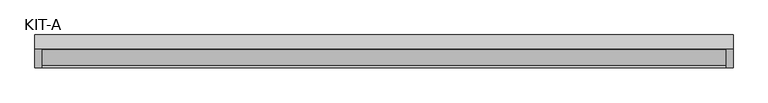
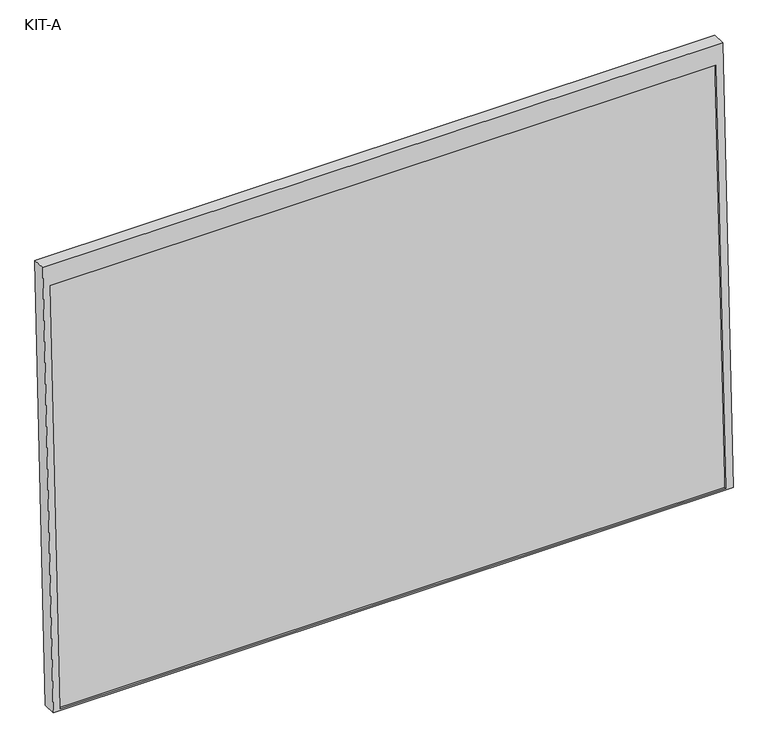
"""IFC4 building model written with IfcOpenShell, lengths in millimetres: plate geometry, KIT-A."""

from ifc_helpers import new_model, si_unit, frame, origin, place, context, project, spatial, polyline, outline, extrude, source, transform, mapped, element, save


def kit_a_7c00a559(model_context):
    return source(origin(), model_context, "Body", "SweptSolid", [
        extrude(outline(polyline([(0.0, 0.0), (0.0, -1766.0), (-1195.0, -1766.0), (-1195.0, 0.0), (0.0, 0.0)]), holes=[polyline([(-55.0, -18.5), (-1191.0441175, -18.5), (-1191.0441175, -1747.5), (-55.0, -1747.5), (-55.0, -18.5)])]), frame((-883.0, 8.1623983, 1090.0923209), z_axis=(0.0, -0.9992101801000246, 0.039736834102334216), x_axis=(0.0, 0.039736834102334216, 0.9992101801000246)), (0.0, 0.0, 1.0), 35.0),
        extrude(outline(polyline([(0.0, -1729.0), (0.0, 0.0), (27.4505712, 0.0), (27.4505712, -1729.0), (0.0, -1729.0)])), frame((-864.5, -69.1422296, -98.8189813), z_axis=(0.0, 0.03973683410233643, 0.9992101801000245), x_axis=(0.0, 0.9992101801000245, -0.03973683410233643)), (0.0, 0.0, 1.0), 1136.0441176),
    ])


if __name__ == "__main__":
    model = new_model("IFC4")
    model_context = context("Model", 3, world=origin())
    ifc_project = project(units=[si_unit("LENGTHUNIT", "METRE", prefix="MILLI")], contexts=[model_context])
    site = spatial("IfcSite", under=ifc_project)
    building = spatial("IfcBuilding", under=site)
    placement = place(None, origin())
    kit_a_shape = kit_a_7c00a559(model_context)
    element("IfcPlate", 1, ObjectType="KIT-A", at=placement, inside=building, context=model_context, shape_type="MappedRepresentation", body=[
        mapped(kit_a_shape, transform((0.0, 0.0, 0.0), x_axis=(1.0, 0.0, 0.0), y_axis=(0.0, 1.0, 0.0), z_axis=(0.0, 0.0, 1.0))),
    ])
    save(model, "model.ifc")
